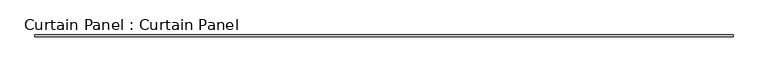
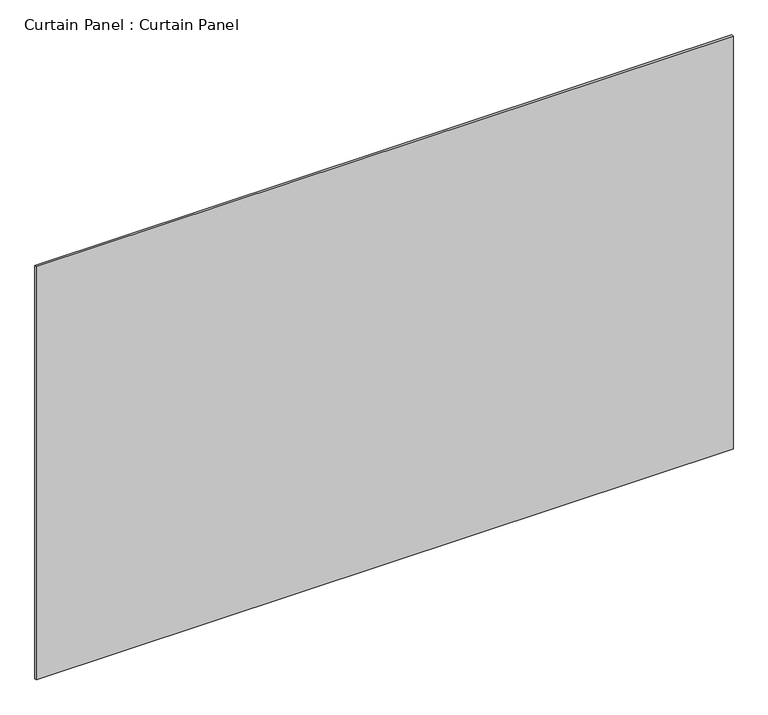
"""IFC4 building model written with IfcOpenShell, lengths in millimetres: plate geometry, Curtain Panel : Curtain Panel."""

from ifc_helpers import new_model, si_unit, frame, origin, place, context, project, spatial, polyline, outline, extrude, source, transform, mapped, element, save


def curtain_panel_curtain_panel_7bc34b74(model_context):
    return source(origin(), model_context, "Body", "SweptSolid", [
        extrude(outline(polyline([(273702.5063541, 2414.4484836), (271416.5063541, 2414.4484836), (271416.5063541, 2420.7984836), (273702.5063541, 2420.7984836), (273702.5063541, 2414.4484836)])), frame((0.0, 0.0, 4914.2249337), z_axis=(0.0, 0.0, 1.0), x_axis=(1.0, 0.0, 0.0)), (0.0, 0.0, 1.0), 1433.10777),
    ])


if __name__ == "__main__":
    model = new_model("IFC4")
    model_context = context("Model", 3, world=origin())
    ifc_project = project(units=[si_unit("LENGTHUNIT", "METRE", prefix="MILLI")], contexts=[model_context])
    site = spatial("IfcSite", under=ifc_project)
    building = spatial("IfcBuilding", under=site)
    placement = place(None, origin())
    curtain_panel_curtain_panel_shape = curtain_panel_curtain_panel_7bc34b74(model_context)
    element("IfcPlate", 1, ObjectType="Curtain Panel : Curtain Panel", at=placement, inside=building, context=model_context, shape_type="MappedRepresentation", body=[
        mapped(curtain_panel_curtain_panel_shape, transform((0.0, 0.0, 0.0), x_axis=(1.0, 0.0, 0.0), y_axis=(0.0, 1.0, 0.0), z_axis=(0.0, 0.0, 1.0))),
    ])
    save(model, "model.ifc")
